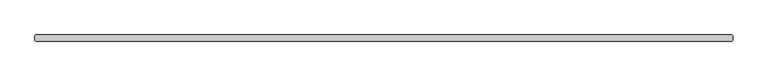
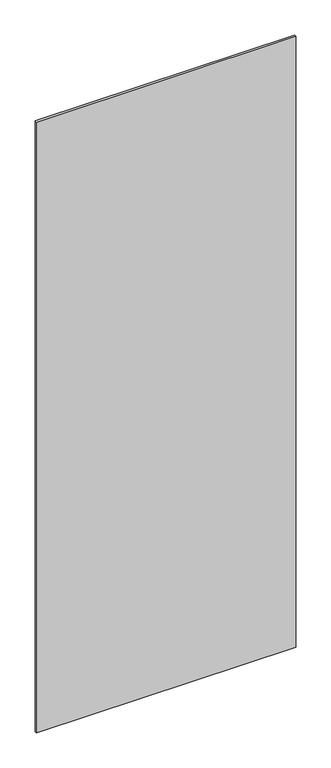
"""IFC4 building model written with IfcOpenShell, lengths in millimetres: plate geometry."""

from ifc_helpers import new_model, si_unit, origin, origin_with_axes, place, context, project, spatial, polyline, outline, extrude, source, transform, mapped, element, save


def plate_aba9b1d3(model_context):
    return source(origin(), model_context, "Body", "SweptSolid", [
        extrude(outline(polyline([(518.4363122, -34.925), (-518.4363122, -34.925), (-520.0238122, -33.3375), (-520.0238122, -26.9875), (-518.4363122, -25.4), (518.4363122, -25.4), (520.0238122, -26.9875), (520.0238122, -33.3375), (518.4363122, -34.925)])), origin_with_axes(), (0.0, 0.0, 1.0), 2586.0375),
    ])


if __name__ == "__main__":
    model = new_model("IFC4")
    model_context = context("Model", 3, world=origin())
    ifc_project = project(units=[si_unit("LENGTHUNIT", "METRE", prefix="MILLI")], contexts=[model_context])
    site = spatial("IfcSite", under=ifc_project)
    building = spatial("IfcBuilding", under=site)
    placement = place(None, origin())
    plate_shape = plate_aba9b1d3(model_context)
    element("IfcPlate", 1, at=placement, inside=building, context=model_context, shape_type="MappedRepresentation", body=[
        mapped(plate_shape, transform((0.0, 0.0, 0.0), x_axis=(1.0, 0.0, 0.0), y_axis=(0.0, 1.0, 0.0), z_axis=(0.0, 0.0, 1.0))),
    ])
    save(model, "model.ifc")
